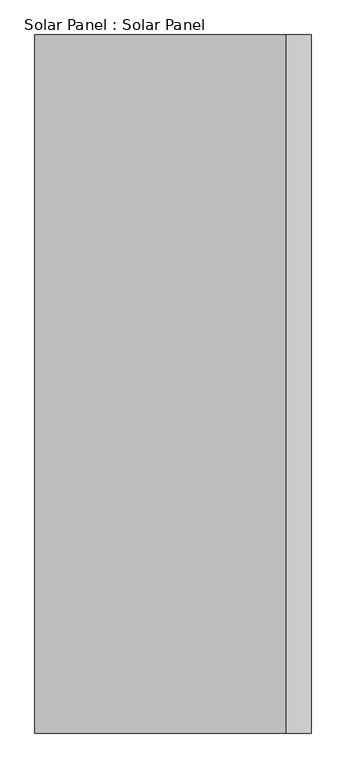
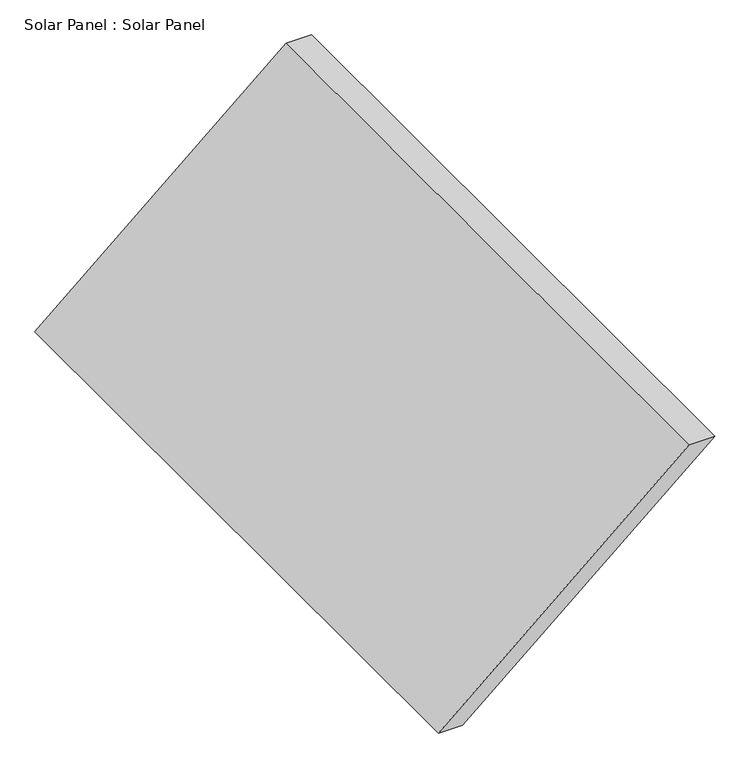
"""IFC4 building model written with IfcOpenShell, lengths in millimetres: air terminal geometry, Solar Panel : Solar Panel."""

from ifc_helpers import new_model, si_unit, frame, origin, place, context, project, spatial, polyline, outline, extrude, source, transform, mapped, element, save


def solar_panel_solar_panel_21c61b03(model_context):
    return source(origin(), model_context, "Body", "SweptSolid", [
        extrude(outline(polyline([(5700.0, 17712.7607873), (5700.0, 17812.7607873), (6600.0, 18859.6772194), (6600.0, 18753.7597356), (5700.0, 17712.7607873)])), frame((0.0, 11352.7543033, 0.0), z_axis=(0.0, 1.0, 0.0), x_axis=(0.0, 0.0, 1.0)), (0.0, 0.0, 1.0), 2900.0),
    ])


if __name__ == "__main__":
    model = new_model("IFC4")
    model_context = context("Model", 3, world=origin())
    ifc_project = project(units=[si_unit("LENGTHUNIT", "METRE", prefix="MILLI")], contexts=[model_context])
    site = spatial("IfcSite", under=ifc_project)
    building = spatial("IfcBuilding", under=site)
    placement = place(None, origin())
    solar_panel_solar_panel_shape = solar_panel_solar_panel_21c61b03(model_context)
    element("IfcAirTerminal", 1, ObjectType="Solar Panel : Solar Panel", at=placement, inside=building, context=model_context, shape_type="MappedRepresentation", body=[
        mapped(solar_panel_solar_panel_shape, transform((0.0, 0.0, 0.0), x_axis=(1.0, 0.0, 0.0), y_axis=(0.0, 1.0, 0.0), z_axis=(0.0, 0.0, 1.0))),
    ])
    save(model, "model.ifc")
